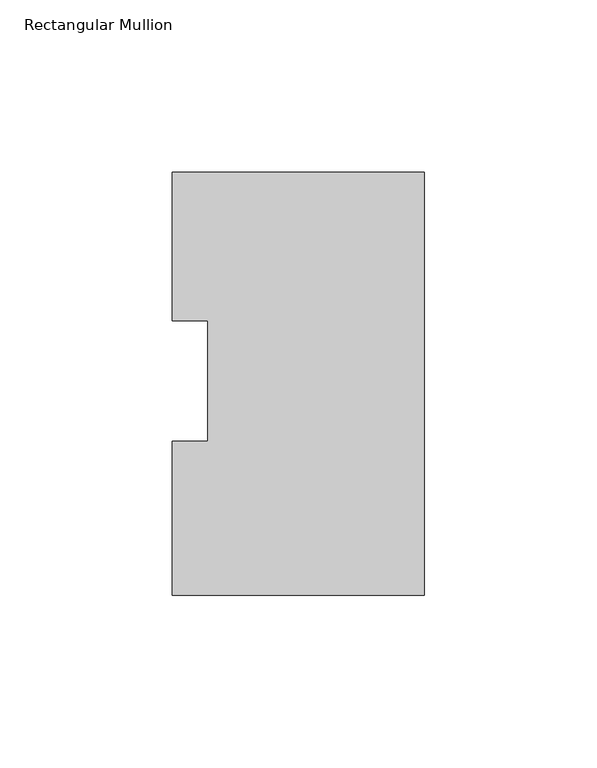
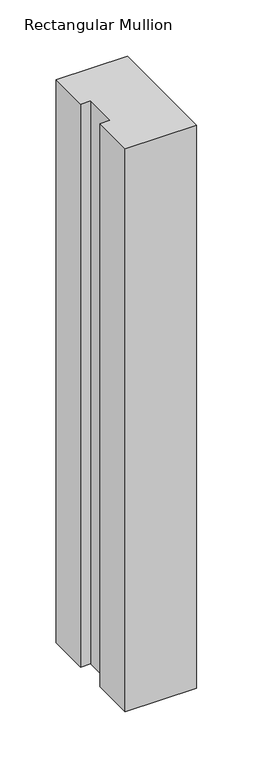
"""IFC4 building model written with IfcOpenShell, lengths in millimetres: member geometry, Rectangular Mullion."""

import ifcopenshell
import ifcopenshell.guid

model = None  # the IFC model being written
_history = None  # IfcOwnerHistory: only IFC2X3 demands one
_inside = {}  # id of a spatial element -> (the spatial element, [elements in it])
_under = {}  # id of a project, library or spatial element -> (it, [spatial elements below it])
_declared = {}  # id of a project -> (the project, [libraries it declares])
_typed = {}  # id of a type object -> (the type object, [elements of that type])
_made_of = {}  # id of a material, layer set ... -> (it, [elements and type objects made of it])


def new_model(schema):
    """Start an empty IFC model of exactly this schema.

    Asked for "IFC4X3", IfcOpenShell would pick the latest addendum, in which some entities
    have other attributes; the version numbers below select the first issue.
    IFC2X3 requires an IfcOwnerHistory on every rooted entity: one is made here for all.
    """
    global model, _history
    if schema == "IFC4X3":
        model = ifcopenshell.file(schema_version=(4, 3, 0, 0))
    else:
        model = ifcopenshell.file(schema=schema)
    _inside.clear()
    _under.clear()
    _declared.clear()
    _typed.clear()
    _made_of.clear()
    _history = None
    if model.schema == "IFC2X3":
        org = make("IfcOrganization", Name="unknown")
        user = make(
            "IfcPersonAndOrganization",
            ThePerson=make("IfcPerson", FamilyName="unknown"),
            TheOrganization=org,
        )
        app = make(
            "IfcApplication",
            ApplicationDeveloper=org,
            Version="unknown",
            ApplicationFullName="unknown",
            ApplicationIdentifier="unknown",
        )
        _history = make(
            "IfcOwnerHistory",
            OwningUser=user,
            OwningApplication=app,
            ChangeAction="ADDED",
            CreationDate=0,
        )
    return model


def make(cls, **values):
    """One entity of the class cls with the attributes given. An attribute that is None is left unset."""
    return model.create_entity(
        cls, **{name: value for name, value in values.items() if value is not None}
    )


def rooted(cls, **values):
    """An entity with a GlobalId (a new one), such as an element, a storey or a relation."""
    return make(cls, GlobalId=ifcopenshell.guid.new(), OwnerHistory=_history, **values)


def si_unit(unit_type, name, prefix=None):
    """IfcSIUnit, for example si_unit("LENGTHUNIT", "METRE", prefix="MILLI")."""
    return make("IfcSIUnit", UnitType=unit_type, Prefix=prefix, Name=name)


def assignment(units):
    """IfcUnitAssignment: the units of a project."""
    return None if units is None else make("IfcUnitAssignment", Units=units)


def point(xyz):
    """IfcCartesianPoint."""
    return None if xyz is None else make("IfcCartesianPoint", Coordinates=xyz)


def direction(xyz):
    """IfcDirection."""
    return None if xyz is None else make("IfcDirection", DirectionRatios=xyz)


def frame(location, z_axis=None, x_axis=None):
    """IfcAxis2Placement3D, a coordinate frame: its origin and axes. An axis left out is left unset."""
    return make(
        "IfcAxis2Placement3D",
        Location=point(location),
        Axis=direction(z_axis),
        RefDirection=direction(x_axis),
    )


def origin():
    """The frame at (0, 0, 0) with its axes left unset."""
    return frame((0.0, 0.0, 0.0))


def place(relative_to, where):
    """IfcLocalPlacement: puts the frame where relative to a parent placement (None: the world)."""
    return make(
        "IfcLocalPlacement", PlacementRelTo=relative_to, RelativePlacement=where
    )


def context(
    kind, dimensions, precision=None, world=None, true_north=None, identifier=None
):
    """IfcGeometricRepresentationContext, for example the 3D "Model" context."""
    return make(
        "IfcGeometricRepresentationContext",
        ContextIdentifier=identifier,
        ContextType=kind,
        CoordinateSpaceDimension=dimensions,
        Precision=precision,
        WorldCoordinateSystem=world,
        TrueNorth=true_north,
    )


def project(units=None, contexts=None):
    """IfcProject with its units and contexts."""
    return rooted(
        "IfcProject",
        Name="project",
        RepresentationContexts=contexts,
        UnitsInContext=assignment(units),
    )


def spatial(cls, under=None, at=None, **own):
    """A site, building, storey or space (cls), placed at a placement, below another one or the project."""
    s = rooted(cls, ObjectPlacement=at, **own)
    if under is not None:
        _under.setdefault(under.id(), (under, []))[1].append(s)
    return s


def polyline(points):
    """IfcPolyline through the points."""
    return make("IfcPolyline", Points=[point(p) for p in points])


def outline(outer, holes=None, kind="AREA"):
    """IfcArbitraryClosedProfileDef: a profile drawn as a closed curve; with holes, ...WithVoids."""
    if holes is None:
        return make("IfcArbitraryClosedProfileDef", ProfileType=kind, OuterCurve=outer)
    return make(
        "IfcArbitraryProfileDefWithVoids",
        ProfileType=kind,
        OuterCurve=outer,
        InnerCurves=holes,
    )


def extrude(swept, where, along, depth):
    """IfcExtrudedAreaSolid: the profile swept, set in the frame where, extruded along a direction by depth."""
    return make(
        "IfcExtrudedAreaSolid",
        SweptArea=swept,
        Position=where,
        ExtrudedDirection=direction(along),
        Depth=depth,
    )


def shape(context_of_items, identifier, shape_type, items):
    """IfcShapeRepresentation: the items that make up one representation, for example the "Body"."""
    return make(
        "IfcShapeRepresentation",
        ContextOfItems=context_of_items,
        RepresentationIdentifier=identifier,
        RepresentationType=shape_type,
        Items=items,
    )


def source(mapping_origin, context_of_items, identifier, shape_type, items):
    """IfcRepresentationMap: a shape defined once, which mapped items show again and again."""
    return make(
        "IfcRepresentationMap",
        MappingOrigin=mapping_origin,
        MappedRepresentation=shape(context_of_items, identifier, shape_type, items),
    )


def transform(
    local_origin,
    x_axis=None,
    y_axis=None,
    z_axis=None,
    scale=None,
    scale2=None,
    scale3=None,
    uniform=True,
):
    """IfcCartesianTransformationOperator3D, or its non-uniform kind. x_axis, y_axis, z_axis: its Axis1, 2, 3."""
    if uniform:
        return make(
            "IfcCartesianTransformationOperator3D",
            Axis1=direction(x_axis),
            Axis2=direction(y_axis),
            LocalOrigin=point(local_origin),
            Scale=scale,
            Axis3=direction(z_axis),
        )
    return make(
        "IfcCartesianTransformationOperator3DnonUniform",
        Axis1=direction(x_axis),
        Axis2=direction(y_axis),
        LocalOrigin=point(local_origin),
        Scale=scale,
        Axis3=direction(z_axis),
        Scale2=scale2,
        Scale3=scale3,
    )


def mapped(mapping_source, mapping_target):
    """IfcMappedItem: shows the shape of a source again, moved by a transform."""
    return make(
        "IfcMappedItem", MappingSource=mapping_source, MappingTarget=mapping_target
    )


def made_of(thing, what):
    """Note that an element or type object is made of a material, layer set ...; save() writes the relation."""
    if what is not None:
        _made_of.setdefault(what.id(), (what, []))[1].append(thing)
    return thing


def element(
    cls,
    number,
    at=None,
    inside=None,
    cuts=None,
    type_object=None,
    material=None,
    context=None,
    identifier="Body",
    shape_type=None,
    held_by="IfcProductDefinitionShape",
    body=None,
    shapes=None,
    **own,
):
    """One element of the class cls, such as IfcWall. Its Tag is "e" and its number.

    at: its placement. inside: the storey or other place that contains it. cuts: it is an
    opening in that element (IfcRelVoidsElement). A single representation is given by context,
    identifier, shape_type and body (its items); several are given by shapes. held_by: the class
    of the entity that holds the representations. save() writes the other relations.
    """
    e = rooted(cls, Tag="e%d" % number, ObjectPlacement=at, **own)
    if body is not None:
        shapes = [shape(context, identifier, shape_type, body)]
    if shapes is not None:
        e.Representation = make(held_by, Representations=shapes)
    if inside is not None:
        _inside.setdefault(inside.id(), (inside, []))[1].append(e)
    if cuts is not None:
        rooted(
            "IfcRelVoidsElement", RelatingBuildingElement=cuts, RelatedOpeningElement=e
        )
    if type_object is not None:
        _typed.setdefault(type_object.id(), (type_object, []))[1].append(e)
    return made_of(e, material)


def aggregate(whole, parts):
    """IfcRelAggregates: a whole, such as a stair, and the parts it consists of."""
    return rooted("IfcRelAggregates", RelatingObject=whole, RelatedObjects=parts)


def save(model, path):
    """Write the relations noted so far, then the file.

    IfcRelAggregates (storeys below a building ...), IfcRelContainedInSpatialStructure (elements
    in a storey), IfcRelDefinesByType, IfcRelAssociatesMaterial and IfcRelDeclares: one each for
    every whole, place, type object, material and project.
    """
    for whole, parts in _under.values():
        aggregate(whole, parts)
    for where, things in _inside.values():
        rooted(
            "IfcRelContainedInSpatialStructure",
            RelatedElements=things,
            RelatingStructure=where,
        )
    for kind, things in _typed.values():
        rooted("IfcRelDefinesByType", RelatedObjects=things, RelatingType=kind)
    for what, things in _made_of.values():
        rooted("IfcRelAssociatesMaterial", RelatedObjects=things, RelatingMaterial=what)
    for by, libraries in _declared.values():
        rooted("IfcRelDeclares", RelatingContext=by, RelatedDefinitions=libraries)
    model.write(path)


def rectangular_mullion_5b52e244(model_context):
    return source(origin(), model_context, "Body", "SweptSolid", [
        extrude(outline(polyline([(0.0, 117.5682549), (0.0, -5.0375451), (-73.025, -5.0375451), (-73.025, 39.620825), (-62.7126, 39.620825), (-62.7126, 74.596625), (-73.025, 74.596625), (-73.025, 117.5682549), (0.0, 117.5682549)])), frame((0.0, 0.0, -609.5992063), z_axis=(0.0, 0.0, 1.0), x_axis=(1.0, 0.0, 0.0)), (0.0, 0.0, 1.0), 609.5992063),
    ])


if __name__ == "__main__":
    model = new_model("IFC4")
    model_context = context("Model", 3, world=origin())
    ifc_project = project(units=[si_unit("LENGTHUNIT", "METRE", prefix="MILLI")], contexts=[model_context])
    site = spatial("IfcSite", under=ifc_project)
    building = spatial("IfcBuilding", under=site)
    placement = place(None, origin())
    rectangular_mullion_shape = rectangular_mullion_5b52e244(model_context)
    element("IfcMember", 1, ObjectType="Rectangular Mullion", at=placement, inside=building, context=model_context, shape_type="MappedRepresentation", body=[
        mapped(rectangular_mullion_shape, transform((0.0, 0.0, 0.0), x_axis=(1.0, 0.0, 0.0), y_axis=(0.0, 1.0, 0.0), z_axis=(0.0, 0.0, 1.0))),
    ])
    save(model, "model.ifc")
